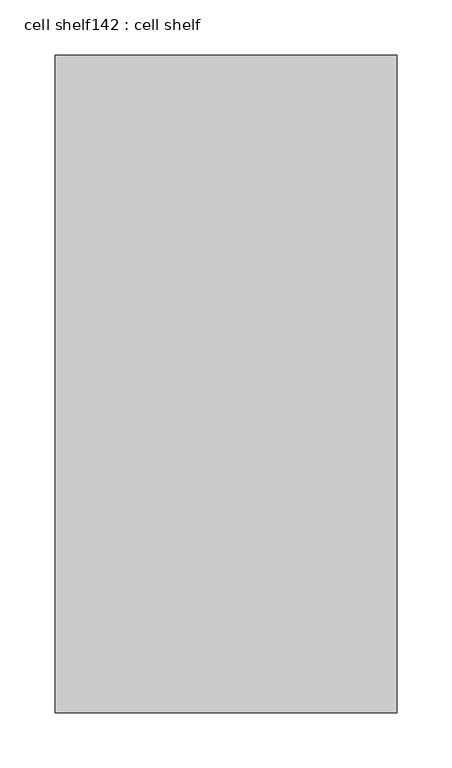
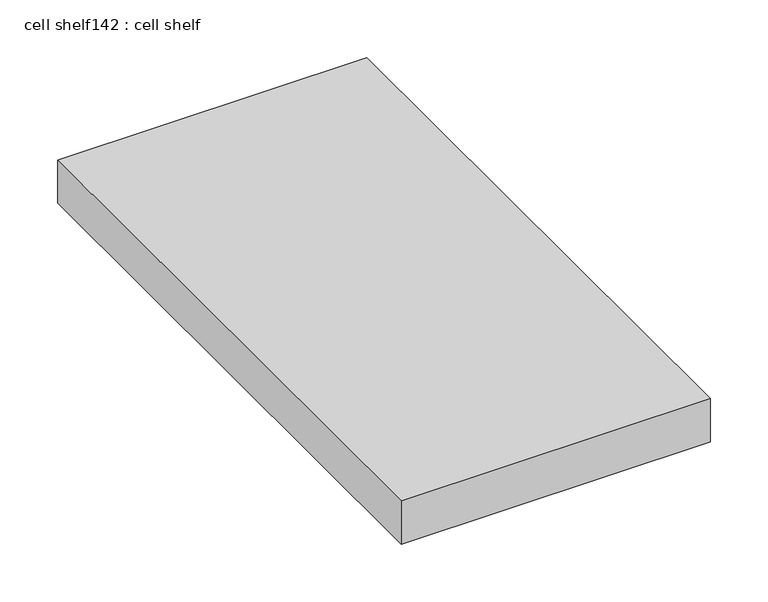
"""IFC4 building model written with IfcOpenShell, lengths in millimetres: proxy geometry, cell shelf142 : cell shelf."""

from ifc_helpers import new_model, si_unit, frame, origin, place, context, project, spatial, polyline, outline, extrude, source, transform, mapped, element, save


def cell_shelf142_cell_shelf_d57b29b3(model_context):
    return source(origin(), model_context, "Body", "SweptSolid", [
        extrude(outline(polyline([(-129444.1282024, -57542.2906598), (-129444.1282024, -56947.2042641), (-129134.7804059, -56947.2042641), (-129134.7804059, -57542.2906598), (-129444.1282024, -57542.2906598)])), frame((0.0, 0.0, 1320.0941517), z_axis=(0.0, 0.0, 1.0), x_axis=(1.0, 0.0, 0.0)), (0.0, 0.0, 1.0), 45.8133004),
    ])


if __name__ == "__main__":
    model = new_model("IFC4")
    model_context = context("Model", 3, world=origin())
    ifc_project = project(units=[si_unit("LENGTHUNIT", "METRE", prefix="MILLI")], contexts=[model_context])
    site = spatial("IfcSite", under=ifc_project)
    building = spatial("IfcBuilding", under=site)
    placement = place(None, origin())
    cell_shelf142_cell_shelf_shape = cell_shelf142_cell_shelf_d57b29b3(model_context)
    element("IfcBuildingElementProxy", 1, Name="cell shelf142 : cell shelf", ObjectType="cell shelf142 : cell shelf", at=placement, inside=building, context=model_context, shape_type="MappedRepresentation", body=[
        mapped(cell_shelf142_cell_shelf_shape, transform((0.0, 0.0, 0.0), x_axis=(1.0, 0.0, 0.0), y_axis=(0.0, 1.0, 0.0), z_axis=(0.0, 0.0, 1.0))),
    ])
    save(model, "model.ifc")
